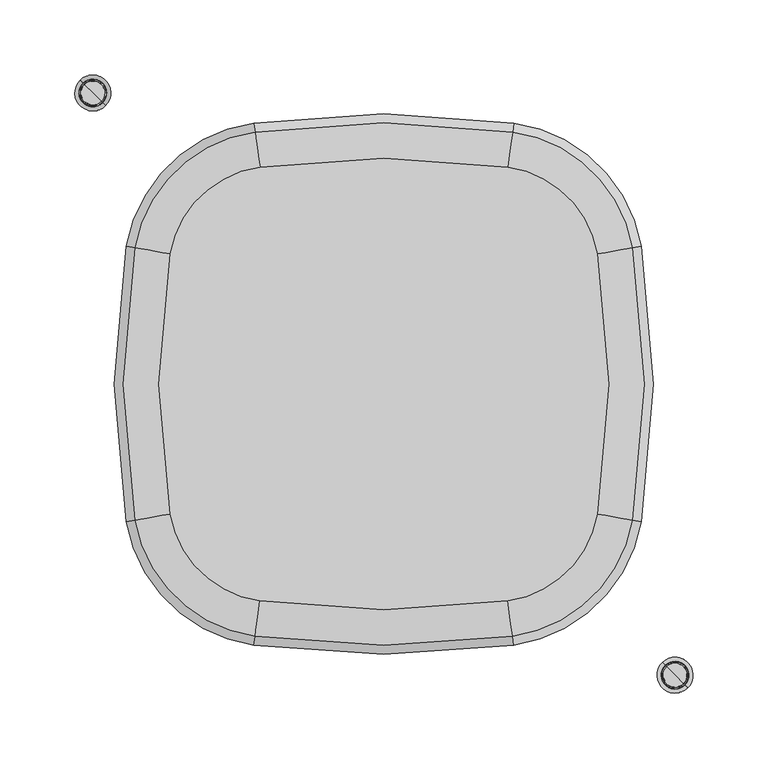
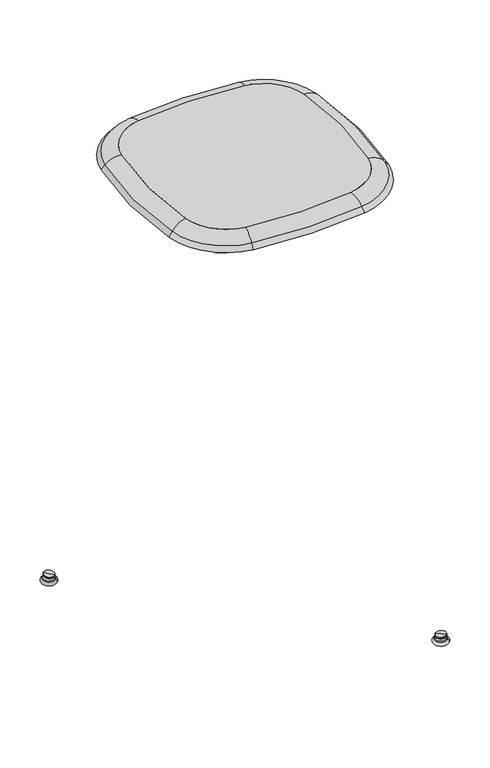
"""IFC4 building model written with IfcOpenShell, lengths in millimetres: furniture geometry."""

from ifc_helpers import new_model, si_unit, point, frame, frame_2d, origin, place, context, project, spatial, polyline, circle_curve, ellipse_curve, trimmed, segment, composite_curve, outline, extrude, source, transform, mapped, element, save
from ifc_brep_helpers import plane_surface, revolved_surface, advanced_brep


def furniture_e689a06a(model_context):
    return source(origin(), model_context, "Body", "SolidModel", [
        extrude(outline(composite_curve([segment(trimmed(circle_curve(frame_2d((353.3430705, -0.0517762)), 503.5652092), [point((-142.6798177, -86.8804256))], [point((-142.6616259, 86.8807324))], False, "CARTESIAN"), True, "CONTINUOUS"), segment(trimmed(circle_curve(frame_2d((-72.7445454, 74.6266807)), 70.9828144), [point((-142.6616259, 86.8807324))], [point((-82.6892055, 144.9094216))], False, "CARTESIAN"), True, "CONTINUOUS"), segment(trimmed(circle_curve(frame_2d((0.015514, -439.5966644)), 590.3282436), [point((-82.6892055, 144.9094216))], [point((82.7202335, 144.9094216))], False, "CARTESIAN"), True, "CONTINUOUS"), segment(trimmed(circle_curve(frame_2d((72.7755734, 74.6266807)), 70.9828144), [point((82.7202335, 144.9094216))], [point((142.6926539, 86.8807324))], False, "CARTESIAN"), True, "CONTINUOUS"), segment(trimmed(circle_curve(frame_2d((-353.3120425, -0.0517762)), 503.5652092), [point((142.6926539, 86.8807324))], [point((142.7108457, -86.8804256))], False, "CARTESIAN"), True, "CONTINUOUS"), segment(trimmed(circle_curve(frame_2d((72.7912008, -74.6410139)), 70.9828144), [point((142.7108457, -86.8804256))], [point((82.7379969, -144.9234525))], False, "CARTESIAN"), True, "CONTINUOUS"), segment(trimmed(circle_curve(frame_2d((0.015514, 439.5801198)), 590.3282436), [point((82.7379969, -144.9234525))], [point((-82.7069689, -144.9234525))], False, "CARTESIAN"), True, "CONTINUOUS"), segment(trimmed(circle_curve(frame_2d((-72.7601728, -74.6410139)), 70.9828144), [point((-82.7069689, -144.9234525))], [point((-142.6798177, -86.8804256))], False, "CARTESIAN"), True, "CONTINUOUS")], self_intersect=False)), frame((0.0, 0.0, 747.1154849), z_axis=(0.0, 0.0, 1.0), x_axis=(1.0, 0.0, 0.0)), (0.0, 0.0, 1.0), 5.8841883),
        advanced_brep(
        [(85.4480497, -164.0722442, 738.8734558), (161.7607924, -90.2151127, 738.8734558), (167.1862386, -91.1648353, 731.5582949), (86.2198758, -169.5258416, 731.5582949), (83.1326925, -147.7123075, 747.1154849), (145.4853047, -87.3660937, 747.1154849), (82.7379969, -144.9234525, 752.9996732), (142.7108457, -86.8804256, 752.9996732), (142.7108457, -86.8804256, 747.1154849), (82.7379969, -144.9234525, 747.1154849), (86.0576622, -168.3796666, 742.093117), (166.0459801, -90.9652334, 742.093117), (86.9083619, -174.3905715, 734.9998), (172.0258571, -92.012009, 734.9998), (-85.4170217, -164.0722442, 738.8734558), (-86.1888478, -169.5258416, 731.5582949), (-83.1016645, -147.7123075, 747.1154849), (-82.7069689, -144.9234525, 752.9996732), (-82.7069689, -144.9234525, 747.1154849), (-86.0266342, -168.3796666, 742.093117), (-86.8773339, -174.3905715, 734.9998), (-161.7297644, -90.2151127, 738.8734558), (-167.1552106, -91.1648353, 731.5582949), (-145.4542767, -87.3660937, 747.1154849), (-142.6798177, -86.8804256, 752.9996732), (-142.6798177, -86.8804256, 747.1154849), (-166.0149521, -90.9652334, 742.093117), (-171.9948291, -92.012009, 734.9998), (-161.710874, 90.2194083, 738.8734558), (-167.1361213, 91.1702669, 731.5582949), (-145.4359833, 87.3669815, 747.1154849), (-142.6616259, 86.8807324, 752.9996732), (-142.6616259, 86.8807324, 747.1154849), (-165.9959046, 90.9704263, 742.093117), (-171.9755623, 92.0184539, 734.9998), (-85.3986765, 164.0582956, 738.8734558), (-86.1703368, 169.5119164, 731.5582949), (-83.0838164, 147.6982885, 747.1154849), (-82.6892055, 144.9094216, 752.9996732), (-82.6892055, 144.9094216, 747.1154849), (-86.008158, 168.3657365, 742.093117), (-86.858675, 174.3766673, 734.9998), (85.4297045, 164.0582956, 738.8734558), (86.2013648, 169.5119164, 731.5582949), (83.1148444, 147.6982885, 747.1154849), (82.7202335, 144.9094216, 752.9996732), (82.7202335, 144.9094216, 747.1154849), (86.039186, 168.3657365, 742.093117), (86.889703, 174.3766673, 734.9998), (161.741902, 90.2194083, 738.8734558), (167.1671493, 91.1702669, 731.5582949), (145.4670112, 87.3669815, 747.1154849), (142.6926539, 86.8807324, 752.9996732), (142.6926539, 86.8807324, 747.1154849), (166.0269325, 90.9704263, 742.093117), (172.0065902, 92.0184539, 734.9998)],
        [
            (0, 1, circle_curve(frame((72.7912008, -74.6410139, 738.8734558), z_axis=(0.0, 0.0, 1.0), x_axis=(0.9850221561837481, -0.17242781628008802, 0.0)), 90.3224268)),
            (1, 2),
            (2, 3, circle_curve(frame((72.7912008, -74.6410139, 731.5582949), z_axis=(0.0, 0.0, -1.0), x_axis=(0.9850221561837481, -0.17242781628008802, 0.0)), 95.8303701)),
            (3, 0),
            (4, 5, circle_curve(frame((72.7912008, -74.6410139, 747.1154849), z_axis=(0.0, 0.0, 1.0), x_axis=(0.9850221561837481, -0.17242781628008802, 0.0)), 73.7994607)),
            (5, 1, circle_curve(frame((145.4853047, -87.3660937, 726.4325045), z_axis=(0.17242781628008805, 0.9850221561837481, 0.0), x_axis=(0.9850221561837481, -0.17242781628008805, 0.0)), 20.6829804)),
            (0, 4, circle_curve(frame((83.1326925, -147.7123075, 726.4325045), z_axis=(-0.9901331651155494, -0.14012963761554614, 0.0), x_axis=(0.14012963761554614, -0.9901331651155494, 0.0)), 20.6829804)),
            (6, 7, circle_curve(frame((72.7912008, -74.6410139, 752.9996732), z_axis=(0.0, 0.0, 1.0), x_axis=(0.9850221561837481, -0.17242781628008802, 0.0)), 70.9828144)),
            (7, 8),
            (8, 9, circle_curve(frame((72.7912008, -74.6410139, 747.1154849), z_axis=(0.0, 0.0, -1.0), x_axis=(0.9850221561837481, -0.17242781628008802, 0.0)), 70.9828144)),
            (9, 6),
            (10, 11, circle_curve(frame((72.7912008, -74.6410139, 742.093117), z_axis=(0.0, 0.0, 1.0), x_axis=(0.9850221561837481, -0.17242781628008802, 0.0)), 94.6727733)),
            (11, 7, circle_curve(frame((142.7108457, -86.8804256, 721.8181018), z_axis=(-0.17242781628008805, -0.9850221561837481, 0.0), x_axis=(0.9850221561837481, -0.17242781628008805, 0.0)), 31.1815715)),
            (6, 10, circle_curve(frame((82.7379969, -144.9234525, 721.8181018), z_axis=(0.9901331651155483, 0.14012963761555447, 0.0), x_axis=(0.14012963761555447, -0.9901331651155483, 0.0)), 31.1815715)),
            (12, 13, circle_curve(frame((72.7912008, -74.6410139, 734.9998), z_axis=(0.0, 0.0, 1.0), x_axis=(0.9850221561837481, -0.17242781628008802, 0.0)), 100.7435779)),
            (13, 11),
            (10, 12),
            (2, 13),
            (12, 3),
            (14, 0, circle_curve(frame((0.015514, 439.5801198, 738.8734558), z_axis=(0.0, 0.0, 1.0), x_axis=(0.14012963761551447, -0.9901331651155538, 0.0)), 609.6678561)),
            (3, 15, circle_curve(frame((0.015514, 439.5801198, 731.5582949), z_axis=(0.0, 0.0, -1.0), x_axis=(0.14012963761551447, -0.9901331651155538, 0.0)), 615.1757994)),
            (15, 14),
            (16, 4, circle_curve(frame((0.015514, 439.5801198, 747.1154849), z_axis=(0.0, 0.0, 1.0), x_axis=(0.14012963761551447, -0.9901331651155538, 0.0)), 593.14489)),
            (14, 16, circle_curve(frame((-83.1016645, -147.7123075, 726.4325045), z_axis=(-0.9901331651155546, 0.1401296376155089, 0.0), x_axis=(-0.1401296376155089, -0.9901331651155546, 0.0)), 20.6829804)),
            (17, 6, circle_curve(frame((0.015514, 439.5801198, 752.9996732), z_axis=(0.0, 0.0, 1.0), x_axis=(0.14012963761551447, -0.9901331651155538, 0.0)), 590.3282436)),
            (9, 18, circle_curve(frame((0.015514, 439.5801198, 747.1154849), z_axis=(0.0, 0.0, -1.0), x_axis=(0.14012963761551447, -0.9901331651155538, 0.0)), 590.3282436)),
            (18, 17),
            (19, 10, circle_curve(frame((0.015514, 439.5801198, 742.093117), z_axis=(0.0, 0.0, 1.0), x_axis=(0.14012963761551447, -0.9901331651155538, 0.0)), 614.0182026)),
            (17, 19, circle_curve(frame((-82.7069689, -144.9234525, 721.8181018), z_axis=(0.9901331651155547, -0.14012963761550745, 0.0), x_axis=(-0.14012963761550745, -0.9901331651155547, 0.0)), 31.1815715)),
            (20, 12, circle_curve(frame((0.015514, 439.5801198, 734.9998), z_axis=(0.0, 0.0, 1.0), x_axis=(0.14012963761551447, -0.9901331651155538, 0.0)), 620.0890072)),
            (19, 20),
            (20, 15),
            (21, 14, circle_curve(frame((-72.7601728, -74.6410139, 738.8734558), z_axis=(0.0, 0.0, 1.0), x_axis=(-0.14012963761555394, -0.9901331651155483, 0.0)), 90.3224268)),
            (15, 22, circle_curve(frame((-72.7601728, -74.6410139, 731.5582949), z_axis=(0.0, 0.0, -1.0), x_axis=(-0.14012963761555394, -0.9901331651155483, 0.0)), 95.8303701)),
            (22, 21),
            (23, 16, circle_curve(frame((-72.7601728, -74.6410139, 747.1154849), z_axis=(0.0, 0.0, 1.0), x_axis=(-0.14012963761555394, -0.9901331651155483, 0.0)), 73.7994607)),
            (21, 23, circle_curve(frame((-145.4542767, -87.3660937, 726.4325045), z_axis=(-0.17242781628017315, 0.9850221561837332, 0.0), x_axis=(-0.9850221561837332, -0.17242781628017315, 0.0)), 20.6829804)),
            (24, 17, circle_curve(frame((-72.7601728, -74.6410139, 752.9996732), z_axis=(0.0, 0.0, 1.0), x_axis=(-0.14012963761555394, -0.9901331651155483, 0.0)), 70.9828144)),
            (18, 25, circle_curve(frame((-72.7601728, -74.6410139, 747.1154849), z_axis=(0.0, 0.0, -1.0), x_axis=(-0.14012963761555394, -0.9901331651155483, 0.0)), 70.9828144)),
            (25, 24),
            (26, 19, circle_curve(frame((-72.7601728, -74.6410139, 742.093117), z_axis=(0.0, 0.0, 1.0), x_axis=(-0.14012963761555394, -0.9901331651155483, 0.0)), 94.6727733)),
            (24, 26, circle_curve(frame((-142.6798177, -86.8804256, 721.8181018), z_axis=(0.17242781628018236, -0.9850221561837316, 0.0), x_axis=(-0.9850221561837316, -0.17242781628018236, 0.0)), 31.1815715)),
            (27, 20, circle_curve(frame((-72.7601728, -74.6410139, 734.9998), z_axis=(0.0, 0.0, 1.0), x_axis=(-0.14012963761555394, -0.9901331651155483, 0.0)), 100.7435779)),
            (26, 27),
            (27, 22),
            (28, 21, circle_curve(frame((353.3430705, -0.0517762, 738.8734558), z_axis=(0.0, 0.0, 1.0), x_axis=(-0.9850221561837392, -0.17242781628013887, 0.0)), 522.9048216)),
            (22, 29, circle_curve(frame((353.3430705, -0.0517762, 731.5582949), z_axis=(0.0, 0.0, -1.0), x_axis=(-0.9850221561837392, -0.17242781628013887, 0.0)), 528.412765)),
            (29, 28),
            (30, 23, circle_curve(frame((353.3430705, -0.0517762, 747.1154849), z_axis=(0.0, 0.0, 1.0), x_axis=(-0.9850221561837392, -0.17242781628013887, 0.0)), 506.3818555)),
            (28, 30, circle_curve(frame((-145.4359833, 87.3669815, 726.4325045), z_axis=(0.17263406404997475, 0.9849860303220495, 0.0), x_axis=(-0.9849860303220495, 0.17263406404997475, 0.0)), 20.6829804)),
            (31, 24, circle_curve(frame((353.3430705, -0.0517762, 752.9996732), z_axis=(0.0, 0.0, 1.0), x_axis=(-0.9850221561837392, -0.17242781628013887, 0.0)), 503.5652092)),
            (25, 32, circle_curve(frame((353.3430705, -0.0517762, 747.1154849), z_axis=(0.0, 0.0, -1.0), x_axis=(-0.9850221561837392, -0.17242781628013887, 0.0)), 503.5652092)),
            (32, 31),
            (33, 26, circle_curve(frame((353.3430705, -0.0517762, 742.093117), z_axis=(0.0, 0.0, 1.0), x_axis=(-0.9850221561837392, -0.17242781628013887, 0.0)), 527.2551681)),
            (31, 33, circle_curve(frame((-142.6616259, 86.8807324, 721.8181018), z_axis=(-0.1726340640499735, -0.9849860303220497, 0.0), x_axis=(-0.9849860303220497, 0.1726340640499735, 0.0)), 31.1815715)),
            (34, 27, circle_curve(frame((353.3430705, -0.0517762, 734.9998), z_axis=(0.0, 0.0, 1.0), x_axis=(-0.9850221561837392, -0.17242781628013887, 0.0)), 533.3259727)),
            (33, 34),
            (34, 29),
            (35, 28, circle_curve(frame((-72.7445454, 74.6266807, 738.8734558), z_axis=(0.0, 0.0, 1.0), x_axis=(-0.9849860303220442, 0.1726340640500041, 0.0)), 90.3224268)),
            (29, 36, circle_curve(frame((-72.7445454, 74.6266807, 731.5582949), z_axis=(0.0, 0.0, -1.0), x_axis=(-0.9849860303220442, 0.1726340640500041, 0.0)), 95.8303701)),
            (36, 35),
            (37, 30, circle_curve(frame((-72.7445454, 74.6266807, 747.1154849), z_axis=(0.0, 0.0, 1.0), x_axis=(-0.9849860303220442, 0.1726340640500041, 0.0)), 73.7994607)),
            (35, 37, circle_curve(frame((-83.0838164, 147.6982885, 726.4325045), z_axis=(0.9901374232519374, 0.1400995470228706, 0.0), x_axis=(-0.1400995470228706, 0.9901374232519374, 0.0)), 20.6829804)),
            (38, 31, circle_curve(frame((-72.7445454, 74.6266807, 752.9996732), z_axis=(0.0, 0.0, 1.0), x_axis=(-0.9849860303220442, 0.1726340640500041, 0.0)), 70.9828144)),
            (32, 39, circle_curve(frame((-72.7445454, 74.6266807, 747.1154849), z_axis=(0.0, 0.0, -1.0), x_axis=(-0.9849860303220442, 0.1726340640500041, 0.0)), 70.9828144)),
            (39, 38),
            (40, 33, circle_curve(frame((-72.7445454, 74.6266807, 742.093117), z_axis=(0.0, 0.0, 1.0), x_axis=(-0.9849860303220442, 0.1726340640500041, 0.0)), 94.6727733)),
            (38, 40, circle_curve(frame((-82.6892055, 144.9094216, 721.8181018), z_axis=(-0.9901374232519364, -0.1400995470228787, 0.0), x_axis=(-0.1400995470228787, 0.9901374232519364, 0.0)), 31.1815715)),
            (41, 34, circle_curve(frame((-72.7445454, 74.6266807, 734.9998), z_axis=(0.0, 0.0, 1.0), x_axis=(-0.9849860303220442, 0.1726340640500041, 0.0)), 100.7435779)),
            (40, 41),
            (41, 36),
            (42, 35, circle_curve(frame((0.015514, -439.5966644, 738.8734558), z_axis=(0.0, 0.0, 1.0), x_axis=(-0.14009954702284055, 0.9901374232519418, 0.0)), 609.6678561)),
            (36, 43, circle_curve(frame((0.015514, -439.5966644, 731.5582949), z_axis=(0.0, 0.0, -1.0), x_axis=(-0.14009954702284055, 0.9901374232519418, 0.0)), 615.1757994)),
            (43, 42),
            (44, 37, circle_curve(frame((0.015514, -439.5966644, 747.1154849), z_axis=(0.0, 0.0, 1.0), x_axis=(-0.14009954702284055, 0.9901374232519418, 0.0)), 593.14489)),
            (42, 44, circle_curve(frame((83.1148444, 147.6982885, 726.4325045), z_axis=(0.9901374232519425, -0.14009954702283514, 0.0), x_axis=(0.14009954702283514, 0.9901374232519425, 0.0)), 20.6829804)),
            (45, 38, circle_curve(frame((0.015514, -439.5966644, 752.9996732), z_axis=(0.0, 0.0, 1.0), x_axis=(-0.14009954702284055, 0.9901374232519418, 0.0)), 590.3282436)),
            (39, 46, circle_curve(frame((0.015514, -439.5966644, 747.1154849), z_axis=(0.0, 0.0, -1.0), x_axis=(-0.14009954702284055, 0.9901374232519418, 0.0)), 590.3282436)),
            (46, 45),
            (47, 40, circle_curve(frame((0.015514, -439.5966644, 742.093117), z_axis=(0.0, 0.0, 1.0), x_axis=(-0.14009954702284055, 0.9901374232519418, 0.0)), 614.0182026)),
            (45, 47, circle_curve(frame((82.7202335, 144.9094216, 721.8181018), z_axis=(-0.9901374232519422, 0.14009954702283683, 0.0), x_axis=(0.14009954702283683, 0.9901374232519422, 0.0)), 31.1815715)),
            (48, 41, circle_curve(frame((0.015514, -439.5966644, 734.9998), z_axis=(0.0, 0.0, 1.0), x_axis=(-0.14009954702284055, 0.9901374232519418, 0.0)), 620.0890072)),
            (47, 48),
            (48, 43),
            (49, 42, circle_curve(frame((72.7755734, 74.6266807, 738.8734558), z_axis=(0.0, 0.0, 1.0), x_axis=(0.1400995470227848, 0.9901374232519496, 0.0)), 90.3224268)),
            (43, 50, circle_curve(frame((72.7755734, 74.6266807, 731.5582949), z_axis=(0.0, 0.0, -1.0), x_axis=(0.1400995470227848, 0.9901374232519496, 0.0)), 95.8303701)),
            (50, 49),
            (51, 44, circle_curve(frame((72.7755734, 74.6266807, 747.1154849), z_axis=(0.0, 0.0, 1.0), x_axis=(0.1400995470227848, 0.9901374232519496, 0.0)), 73.7994607)),
            (49, 51, circle_curve(frame((145.4670112, 87.3669815, 726.4325045), z_axis=(0.17263406405000353, -0.9849860303220442, 0.0), x_axis=(0.9849860303220442, 0.17263406405000353, 0.0)), 20.6829804)),
            (52, 45, circle_curve(frame((72.7755734, 74.6266807, 752.9996732), z_axis=(0.0, 0.0, 1.0), x_axis=(0.1400995470227848, 0.9901374232519496, 0.0)), 70.9828144)),
            (46, 53, circle_curve(frame((72.7755734, 74.6266807, 747.1154849), z_axis=(0.0, 0.0, -1.0), x_axis=(0.1400995470227848, 0.9901374232519496, 0.0)), 70.9828144)),
            (53, 52),
            (54, 47, circle_curve(frame((72.7755734, 74.6266807, 742.093117), z_axis=(0.0, 0.0, 1.0), x_axis=(0.1400995470227848, 0.9901374232519496, 0.0)), 94.6727733)),
            (52, 54, circle_curve(frame((142.6926539, 86.8807324, 721.8181018), z_axis=(-0.17263406405001167, 0.9849860303220429, 0.0), x_axis=(0.9849860303220429, 0.17263406405001167, 0.0)), 31.1815715)),
            (55, 48, circle_curve(frame((72.7755734, 74.6266807, 734.9998), z_axis=(0.0, 0.0, 1.0), x_axis=(0.1400995470227848, 0.9901374232519496, 0.0)), 100.7435779)),
            (54, 55),
            (55, 50),
            (1, 49, circle_curve(frame((-353.3120425, -0.0517762, 738.8734558), z_axis=(0.0, 0.0, 1.0), x_axis=(0.9849860303220497, 0.17263406404997295, 0.0)), 522.9048216)),
            (50, 2, circle_curve(frame((-353.3120425, -0.0517762, 731.5582949), z_axis=(0.0, 0.0, -1.0), x_axis=(0.9849860303220497, 0.17263406404997295, 0.0)), 528.412765)),
            (5, 51, circle_curve(frame((-353.3120425, -0.0517762, 747.1154849), z_axis=(0.0, 0.0, 1.0), x_axis=(0.9849860303220497, 0.17263406404997295, 0.0)), 506.3818555)),
            (8, 53, circle_curve(frame((-353.3120425, -0.0517762, 747.1154849), z_axis=(0.0, 0.0, 1.0), x_axis=(0.9849860303220497, 0.17263406404997295, 0.0)), 503.5652092)),
            (7, 52, circle_curve(frame((-353.3120425, -0.0517762, 752.9996732), z_axis=(0.0, 0.0, 1.0), x_axis=(0.9849860303220497, 0.17263406404997295, 0.0)), 503.5652092)),
            (11, 54, circle_curve(frame((-353.3120425, -0.0517762, 742.093117), z_axis=(0.0, 0.0, 1.0), x_axis=(0.9849860303220497, 0.17263406404997295, 0.0)), 527.2551681)),
            (13, 55, circle_curve(frame((-353.3120425, -0.0517762, 734.9998), z_axis=(0.0, 0.0, 1.0), x_axis=(0.9849860303220497, 0.17263406404997295, 0.0)), 533.3259727)),
        ],
        [
            revolved_surface(polyline([(167.1862386, -91.1648353, 731.5582949), (161.7607924, -90.2151127, 738.8734558)]), (72.7912008, -74.6410139, 734.9998), (0.0, 0.0, -1.0)),
            revolved_surface(trimmed(ellipse_curve(frame((145.4853047, -87.3660937, 726.4325045), z_axis=(-0.17242781628008805, -0.9850221561837481, 0.0), x_axis=(0.9850221561837481, -0.17242781628008805, 0.0)), 20.6829804, 20.6829804), [point((161.7607924, -90.2151127, 738.8734558))], [point((145.4853047, -87.3660937, 747.1154849))], True, "CARTESIAN"), (72.7912008, -74.6410139, 734.9998), (0.0, 0.0, -1.0)),
            revolved_surface(polyline([(142.71084569227878, -86.8804255804068, 747.1154849), (142.71084569227878, -86.8804255804068, 752.9996732)]), (72.7912008, -74.6410139, 734.9998), (0.0, 0.0, -1.0)),
            revolved_surface(trimmed(ellipse_curve(frame((142.7108457, -86.8804256, 721.8181018), z_axis=(0.17242781628008805, 0.9850221561837481, 0.0), x_axis=(0.9850221561837481, -0.17242781628008805, 0.0)), 31.1815715, 31.1815715), [point((142.7108457, -86.8804256, 752.9996732))], [point((166.0459801, -90.9652334, 742.093117))], True, "CARTESIAN"), (72.7912008, -74.6410139, 734.9998), (0.0, 0.0, -1.0)),
            revolved_surface(polyline([(166.0459801, -90.9652334, 742.093117), (172.0258571, -92.012009, 734.9998)]), (72.7912008, -74.6410139, 734.9998), (0.0, 0.0, -1.0)),
            revolved_surface(polyline([(172.0258571, -92.012009, 734.9998), (167.1862386, -91.1648353, 731.5582949)]), (72.7912008, -74.6410139, 734.9998), (0.0, 0.0, -1.0)),
            revolved_surface(polyline([(86.2198758, -169.5258416, 731.5582949), (85.4480497, -164.0722442, 738.8734558)]), (0.015514, 439.5801198, 734.9998), (0.0, 0.0, -1.0)),
            revolved_surface(trimmed(ellipse_curve(frame((83.1326925, -147.7123075, 726.4325045), z_axis=(-0.9901331651155538, -0.14012963761551447, 0.0), x_axis=(0.14012963761551447, -0.9901331651155538, 0.0)), 20.6829804, 20.6829804), [point((85.4480497, -164.0722442, 738.8734558))], [point((83.1326925, -147.7123075, 747.1154849))], True, "CARTESIAN"), (0.015514, 439.5801198, 734.9998), (0.0, 0.0, -1.0)),
            revolved_surface(polyline([(82.73799684987114, -144.9234524927736, 747.1154849), (82.73799684987114, -144.9234524927736, 752.9996732)]), (0.015514, 439.5801198, 734.9998), (0.0, 0.0, -1.0)),
            revolved_surface(trimmed(ellipse_curve(frame((82.7379969, -144.9234525, 721.8181018), z_axis=(0.9901331651155538, 0.14012963761551447, 0.0), x_axis=(0.14012963761551447, -0.9901331651155538, 0.0)), 31.1815715, 31.1815715), [point((82.7379969, -144.9234525, 752.9996732))], [point((86.0576622, -168.3796666, 742.093117))], True, "CARTESIAN"), (0.015514, 439.5801198, 734.9998), (0.0, 0.0, -1.0)),
            revolved_surface(polyline([(86.0576622, -168.3796666, 742.093117), (86.9083619, -174.3905715, 734.9998)]), (0.015514, 439.5801198, 734.9998), (0.0, 0.0, -1.0)),
            revolved_surface(polyline([(86.9083619, -174.3905715, 734.9998), (86.2198758, -169.5258416, 731.5582949)]), (0.015514, 439.5801198, 734.9998), (0.0, 0.0, -1.0)),
            revolved_surface(polyline([(-86.1888478, -169.5258416, 731.5582949), (-85.4170217, -164.0722442, 738.8734558)]), (-72.7601728, -74.6410139, 734.9998), (0.0, 0.0, -1.0)),
            revolved_surface(trimmed(ellipse_curve(frame((-83.1016645, -147.7123075, 726.4325045), z_axis=(-0.9901331651155483, 0.140129637615554, 0.0), x_axis=(-0.140129637615554, -0.9901331651155483, 0.0)), 20.6829804, 20.6829804), [point((-85.4170217, -164.0722442, 738.8734558))], [point((-83.1016645, -147.7123075, 747.1154849))], True, "CARTESIAN"), (-72.7601728, -74.6410139, 734.9998), (0.0, 0.0, -1.0)),
            revolved_surface(polyline([(-82.70696885880413, -144.9234525906815, 747.1154849), (-82.70696885880413, -144.9234525906815, 752.9996732)]), (-72.7601728, -74.6410139, 734.9998), (0.0, 0.0, -1.0)),
            revolved_surface(trimmed(ellipse_curve(frame((-82.7069689, -144.9234525, 721.8181018), z_axis=(0.9901331651155483, -0.140129637615554, 0.0), x_axis=(-0.140129637615554, -0.9901331651155483, 0.0)), 31.1815715, 31.1815715), [point((-82.7069689, -144.9234525, 752.9996732))], [point((-86.0266342, -168.3796666, 742.093117))], True, "CARTESIAN"), (-72.7601728, -74.6410139, 734.9998), (0.0, 0.0, -1.0)),
            revolved_surface(polyline([(-86.0266342, -168.3796666, 742.093117), (-86.8773339, -174.3905715, 734.9998)]), (-72.7601728, -74.6410139, 734.9998), (0.0, 0.0, -1.0)),
            revolved_surface(polyline([(-86.8773339, -174.3905715, 734.9998), (-86.1888478, -169.5258416, 731.5582949)]), (-72.7601728, -74.6410139, 734.9998), (0.0, 0.0, -1.0)),
            revolved_surface(polyline([(-167.1552106, -91.1648353, 731.5582949), (-161.7297644, -90.2151127, 738.8734558)]), (353.3430705, -0.0517762, 734.9998), (0.0, 0.0, -1.0)),
            revolved_surface(trimmed(ellipse_curve(frame((-145.4542767, -87.3660937, 726.4325045), z_axis=(-0.17242781628013873, 0.9850221561837392, 0.0), x_axis=(-0.9850221561837392, -0.17242781628013873, 0.0)), 20.6829804, 20.6829804), [point((-161.7297644, -90.2151127, 738.8734558))], [point((-145.4542767, -87.3660937, 747.1154849))], True, "CARTESIAN"), (353.3430705, -0.0517762, 734.9998), (0.0, 0.0, -1.0)),
            revolved_surface(polyline([(-142.67981764529975, -86.8804255770073, 747.1154849), (-142.67981764529975, -86.8804255770073, 752.9996732)]), (353.3430705, -0.0517762, 734.9998), (0.0, 0.0, -1.0)),
            revolved_surface(trimmed(ellipse_curve(frame((-142.6798177, -86.8804256, 721.8181018), z_axis=(0.17242781628013873, -0.9850221561837392, 0.0), x_axis=(-0.9850221561837392, -0.17242781628013873, 0.0)), 31.1815715, 31.1815715), [point((-142.6798177, -86.8804256, 752.9996732))], [point((-166.0149521, -90.9652334, 742.093117))], True, "CARTESIAN"), (353.3430705, -0.0517762, 734.9998), (0.0, 0.0, -1.0)),
            revolved_surface(polyline([(-166.0149521, -90.9652334, 742.093117), (-171.9948291, -92.012009, 734.9998)]), (353.3430705, -0.0517762, 734.9998), (0.0, 0.0, -1.0)),
            revolved_surface(polyline([(-171.9948291, -92.012009, 734.9998), (-167.1552106, -91.1648353, 731.5582949)]), (353.3430705, -0.0517762, 734.9998), (0.0, 0.0, -1.0)),
            revolved_surface(polyline([(-167.1361213, 91.1702669, 731.5582949), (-161.710874, 90.2194083, 738.8734558)]), (-72.7445454, 74.6266807, 734.9998), (0.0, 0.0, -1.0)),
            revolved_surface(trimmed(ellipse_curve(frame((-145.4359833, 87.3669815, 726.4325045), z_axis=(0.1726340640500042, 0.9849860303220442, 0.0), x_axis=(-0.9849860303220442, 0.1726340640500042, 0.0)), 20.6829804, 20.6829804), [point((-161.710874, 90.2194083, 738.8734558))], [point((-145.4359833, 87.3669815, 747.1154849))], True, "CARTESIAN"), (-72.7445454, 74.6266807, 734.9998), (0.0, 0.0, -1.0)),
            revolved_surface(polyline([(-142.66162597694245, 86.88073242757915, 747.1154849), (-142.66162597694245, 86.88073242757915, 752.9996732)]), (-72.7445454, 74.6266807, 734.9998), (0.0, 0.0, -1.0)),
            revolved_surface(trimmed(ellipse_curve(frame((-142.6616259, 86.8807324, 721.8181018), z_axis=(-0.1726340640500042, -0.9849860303220442, 0.0), x_axis=(-0.9849860303220442, 0.1726340640500042, 0.0)), 31.1815715, 31.1815715), [point((-142.6616259, 86.8807324, 752.9996732))], [point((-165.9959046, 90.9704263, 742.093117))], True, "CARTESIAN"), (-72.7445454, 74.6266807, 734.9998), (0.0, 0.0, -1.0)),
            revolved_surface(polyline([(-165.9959046, 90.9704263, 742.093117), (-171.9755623, 92.0184539, 734.9998)]), (-72.7445454, 74.6266807, 734.9998), (0.0, 0.0, -1.0)),
            revolved_surface(polyline([(-171.9755623, 92.0184539, 734.9998), (-167.1361213, 91.1702669, 731.5582949)]), (-72.7445454, 74.6266807, 734.9998), (0.0, 0.0, -1.0)),
            revolved_surface(polyline([(-86.1703368, 169.5119164, 731.5582949), (-85.3986765, 164.0582956, 738.8734558)]), (0.015514, -439.5966644, 734.9998), (0.0, 0.0, -1.0)),
            revolved_surface(trimmed(ellipse_curve(frame((-83.0838164, 147.6982885, 726.4325045), z_axis=(0.9901374232519418, 0.14009954702284047, 0.0), x_axis=(-0.14009954702284047, 0.9901374232519418, 0.0)), 20.6829804, 20.6829804), [point((-85.3986765, 164.0582956, 738.8734558))], [point((-83.0838164, 147.6982885, 747.1154849))], True, "CARTESIAN"), (0.015514, -439.5966644, 734.9998), (0.0, 0.0, -1.0)),
            revolved_surface(polyline([(-82.68920552314907, 144.90942159094857, 747.1154849), (-82.68920552314907, 144.90942159094857, 752.9996732)]), (0.015514, -439.5966644, 734.9998), (0.0, 0.0, -1.0)),
            revolved_surface(trimmed(ellipse_curve(frame((-82.6892055, 144.9094216, 721.8181018), z_axis=(-0.9901374232519418, -0.14009954702284047, 0.0), x_axis=(-0.14009954702284047, 0.9901374232519418, 0.0)), 31.1815715, 31.1815715), [point((-82.6892055, 144.9094216, 752.9996732))], [point((-86.008158, 168.3657365, 742.093117))], True, "CARTESIAN"), (0.015514, -439.5966644, 734.9998), (0.0, 0.0, -1.0)),
            revolved_surface(polyline([(-86.008158, 168.3657365, 742.093117), (-86.858675, 174.3766673, 734.9998)]), (0.015514, -439.5966644, 734.9998), (0.0, 0.0, -1.0)),
            revolved_surface(polyline([(-86.858675, 174.3766673, 734.9998), (-86.1703368, 169.5119164, 731.5582949)]), (0.015514, -439.5966644, 734.9998), (0.0, 0.0, -1.0)),
            revolved_surface(polyline([(86.2013648, 169.5119164, 731.5582949), (85.4297045, 164.0582956, 738.8734558)]), (72.7755734, 74.6266807, 734.9998), (0.0, 0.0, -1.0)),
            revolved_surface(trimmed(ellipse_curve(frame((83.1148444, 147.6982885, 726.4325045), z_axis=(0.9901374232519496, -0.14009954702278485, 0.0), x_axis=(0.14009954702278485, 0.9901374232519496, 0.0)), 20.6829804, 20.6829804), [point((85.4297045, 164.0582956, 738.8734558))], [point((83.1148444, 147.6982885, 747.1154849))], True, "CARTESIAN"), (72.7755734, 74.6266807, 734.9998), (0.0, 0.0, -1.0)),
            revolved_surface(polyline([(82.7202335438424, 144.90942164518736, 747.1154849), (82.7202335438424, 144.90942164518736, 752.9996732)]), (72.7755734, 74.6266807, 734.9998), (0.0, 0.0, -1.0)),
            revolved_surface(trimmed(ellipse_curve(frame((82.7202335, 144.9094216, 721.8181018), z_axis=(-0.9901374232519496, 0.14009954702278485, 0.0), x_axis=(0.14009954702278485, 0.9901374232519496, 0.0)), 31.1815715, 31.1815715), [point((82.7202335, 144.9094216, 752.9996732))], [point((86.039186, 168.3657365, 742.093117))], True, "CARTESIAN"), (72.7755734, 74.6266807, 734.9998), (0.0, 0.0, -1.0)),
            revolved_surface(polyline([(86.039186, 168.3657365, 742.093117), (86.889703, 174.3766673, 734.9998)]), (72.7755734, 74.6266807, 734.9998), (0.0, 0.0, -1.0)),
            revolved_surface(polyline([(86.889703, 174.3766673, 734.9998), (86.2013648, 169.5119164, 731.5582949)]), (72.7755734, 74.6266807, 734.9998), (0.0, 0.0, -1.0)),
            revolved_surface(polyline([(167.1671493, 91.1702669, 731.5582949), (161.741902, 90.2194083, 738.8734558)]), (-353.3120425, -0.0517762, 734.9998), (0.0, 0.0, -1.0)),
            revolved_surface(trimmed(ellipse_curve(frame((145.4670112, 87.3669815, 726.4325045), z_axis=(0.17263406404997292, -0.9849860303220497, 0.0), x_axis=(0.9849860303220497, 0.17263406404997292, 0.0)), 20.6829804, 20.6829804), [point((161.741902, 90.2194083, 738.8734558))], [point((145.4670112, 87.3669815, 747.1154849))], True, "CARTESIAN"), (-353.3120425, -0.0517762, 734.9998), (0.0, 0.0, -1.0)),
            plane_surface(frame((-353.3120425, -0.0517762, 747.1154849), z_axis=(0.0, 0.0, -1.0), x_axis=(0.9849860303220498, 0.17263406404997297, 0.0))),
            revolved_surface(polyline([(142.6926539182005, 86.88073237837082, 747.1154849), (142.6926539182005, 86.88073237837082, 752.9996732)]), (-353.3120425, -0.0517762, 734.9998), (0.0, 0.0, -1.0)),
            revolved_surface(trimmed(ellipse_curve(frame((142.6926539, 86.8807324, 721.8181018), z_axis=(-0.17263406404997292, 0.9849860303220497, 0.0), x_axis=(0.9849860303220497, 0.17263406404997292, 0.0)), 31.1815715, 31.1815715), [point((142.6926539, 86.8807324, 752.9996732))], [point((166.0269325, 90.9704263, 742.093117))], True, "CARTESIAN"), (-353.3120425, -0.0517762, 734.9998), (0.0, 0.0, -1.0)),
            revolved_surface(polyline([(166.0269325, 90.9704263, 742.093117), (172.0065902, 92.0184539, 734.9998)]), (-353.3120425, -0.0517762, 734.9998), (0.0, 0.0, -1.0)),
            revolved_surface(polyline([(172.0065902, 92.0184539, 734.9998), (167.1671493, 91.1702669, 731.5582949)]), (-353.3120425, -0.0517762, 734.9998), (0.0, 0.0, -1.0)),
        ],
        [
            (0, [[1, 2, 3, 4]]),
            (1, [[5, 6, -1, 7]]),
            (2, [[8, 9, 10, 11]]),
            (3, [[12, 13, -8, 14]]),
            (4, [[15, 16, -12, 17]]),
            (5, [[-3, 18, -15, 19]]),
            (6, [[20, -4, 21, 22]]),
            (7, [[23, -7, -20, 24]]),
            (8, [[25, -11, 26, 27]]),
            (9, [[28, -14, -25, 29]]),
            (10, [[30, -17, -28, 31]]),
            (11, [[-21, -19, -30, 32]]),
            (12, [[33, -22, 34, 35]]),
            (13, [[36, -24, -33, 37]]),
            (14, [[38, -27, 39, 40]]),
            (15, [[41, -29, -38, 42]]),
            (16, [[43, -31, -41, 44]]),
            (17, [[-34, -32, -43, 45]]),
            (18, [[46, -35, 47, 48]]),
            (19, [[49, -37, -46, 50]]),
            (20, [[51, -40, 52, 53]]),
            (21, [[54, -42, -51, 55]]),
            (22, [[56, -44, -54, 57]]),
            (23, [[-47, -45, -56, 58]]),
            (24, [[59, -48, 60, 61]]),
            (25, [[62, -50, -59, 63]]),
            (26, [[64, -53, 65, 66]]),
            (27, [[67, -55, -64, 68]]),
            (28, [[69, -57, -67, 70]]),
            (29, [[-60, -58, -69, 71]]),
            (30, [[72, -61, 73, 74]]),
            (31, [[75, -63, -72, 76]]),
            (32, [[77, -66, 78, 79]]),
            (33, [[80, -68, -77, 81]]),
            (34, [[82, -70, -80, 83]]),
            (35, [[-73, -71, -82, 84]]),
            (36, [[85, -74, 86, 87]]),
            (37, [[88, -76, -85, 89]]),
            (38, [[90, -79, 91, 92]]),
            (39, [[93, -81, -90, 94]]),
            (40, [[95, -83, -93, 96]]),
            (41, [[-86, -84, -95, 97]]),
            (42, [[98, -87, 99, -2]]),
            (43, [[100, -89, -98, -6]]),
            (44, [[-75, -88, -100, -5, -23, -36, -49, -62], [101, -91, -78, -65, -52, -39, -26, -10]]),
            (45, [[102, -92, -101, -9]]),
            (46, [[103, -94, -102, -13]]),
            (47, [[104, -96, -103, -16]]),
            (48, [[-99, -97, -104, -18]]),
        ],
    ),
        advanced_brep(
        [(-188.0691808, 188.2160853, 6.9846371), (-200.7982862, 200.9451907, 6.9846371), (-200.9841101, 201.1310146, 5.4942542), (-187.8833568, 188.0302614, 5.4942542), (-200.9841101, 201.1310146, -0.0154222), (-187.8833568, 188.0302614, -0.0154222), (-194.4337335, 194.580638, -0.0154222), (-194.4337335, 194.580638, 6.9846371)],
        [
            (0, 1, circle_curve(frame((-194.4337335, 194.580638, 6.9846371), z_axis=(0.0, 0.0, -1.0), x_axis=(-0.7071067811865506, 0.7071067811865445, 0.0)), 9.0008368)),
            (1, 2, circle_curve(frame((-204.7425559, 204.8894604, 7.1998356), z_axis=(0.7071067811865445, 0.7071067811865506, 0.0), x_axis=(-0.7071067811865506, 0.7071067811865445, 0.0)), 5.5821893)),
            (2, 3, circle_curve(frame((-194.4337335, 194.580638, 5.4942542), z_axis=(0.0, 0.0, 1.0), x_axis=(-0.7071067811865506, 0.7071067811865445, 0.0)), 9.2636315)),
            (3, 0, circle_curve(frame((-184.1249111, 184.2718156, 7.1998356), z_axis=(0.7071067811865468, 0.7071067811865482, 0.0), x_axis=(0.7071067811865482, -0.7071067811865468, 0.0)), 5.5821893)),
            (1, 0, circle_curve(frame((-194.4337335, 194.580638, 6.9846371), z_axis=(0.0, 0.0, -1.0), x_axis=(-0.7071067811865506, 0.7071067811865445, 0.0)), 9.0008368)),
            (3, 2, circle_curve(frame((-194.4337335, 194.580638, 5.4942542), z_axis=(0.0, 0.0, 1.0), x_axis=(-0.7071067811865506, 0.7071067811865445, 0.0)), 9.2636315)),
            (2, 4, circle_curve(frame((-200.9841101, 201.1310146, 2.739416), z_axis=(-0.7071067811865445, -0.7071067811865506, 0.0), x_axis=(-0.7071067811865506, 0.7071067811865445, 0.0)), 2.7548382)),
            (4, 5, circle_curve(frame((-194.4337335, 194.580638, -0.0154222), z_axis=(0.0, 0.0, 1.0), x_axis=(-0.7071067811865506, 0.7071067811865445, 0.0)), 9.2636315)),
            (5, 3, circle_curve(frame((-187.8833568, 188.0302614, 2.739416), z_axis=(-0.7071067811865468, -0.7071067811865482, 0.0), x_axis=(0.7071067811865482, -0.7071067811865468, 0.0)), 2.7548382)),
            (5, 4, circle_curve(frame((-194.4337335, 194.580638, -0.0154222), z_axis=(0.0, 0.0, 1.0), x_axis=(-0.7071067811865506, 0.7071067811865445, 0.0)), 9.2636315)),
            (4, 6),
            (6, 5),
            (7, 1),
            (0, 7),
        ],
        [
            revolved_surface(trimmed(ellipse_curve(frame((-204.7425559, 204.8894604, 7.1998356), z_axis=(-0.7071067811865445, -0.7071067811865506, 0.0), x_axis=(-0.7071067811865506, 0.7071067811865445, 0.0)), 5.5821893, 5.5821893), [point((-200.9841101, 201.1310146, 5.4942542))], [point((-200.7982862, 200.9451907, 6.9846371))], True, "CARTESIAN"), (-194.4337335, 194.580638, 6.9846371), (0.0, 0.0, 1.0)),
            revolved_surface(trimmed(ellipse_curve(frame((-200.9841101, 201.1310146, 2.739416), z_axis=(0.7071067811865445, 0.7071067811865506, 0.0), x_axis=(-0.7071067811865506, 0.7071067811865445, 0.0)), 2.7548382, 2.7548382), [point((-200.9841101, 201.1310146, -0.0154222))], [point((-200.9841101, 201.1310146, 5.4942542))], True, "CARTESIAN"), (-194.4337335, 194.580638, 6.9846371), (0.0, 0.0, 1.0)),
            plane_surface(frame((-194.4337335, 194.580638, -0.0154222), z_axis=(0.0, 0.0, -1.0), x_axis=(-0.7071067811865506, 0.7071067811865445, 0.0))),
            plane_surface(frame((-194.4337335, 194.580638, 6.9846371), z_axis=(0.0, 0.0, 1.0), x_axis=(-0.7071067811865506, 0.7071067811865445, 0.0))),
        ],
        [
            (0, [[1, 2, 3, 4]]),
            (0, [[5, -4, 6, -2]]),
            (1, [[-3, 7, 8, 9]]),
            (1, [[-6, -9, 10, -7]]),
            (2, [[-8, 11, 12]]),
            (2, [[-10, -12, -11]]),
            (3, [[13, -1, 14]]),
            (3, [[-14, -5, -13]]),
        ],
    ),
        advanced_brep(
        [(-194.4312996, 194.5782042, 12.9843112), (-200.0666597, 200.2135642, 13.6815611), (-188.7959396, 188.9428442, 12.2870613), (-200.104312, 200.2512165, 12.4314459), (-188.9123582, 189.0592628, 11.0466917), (-200.2206566, 200.3675611, 11.1910692), (-188.9500843, 189.0969888, 9.7965877), (-199.3760514, 199.522956, 11.0865682), (-189.7946894, 189.941594, 9.9010887), (-194.8605269, 195.0074314, 6.0460521)],
        [
            (0, 1),
            (1, 2, circle_curve(frame((-194.4312996, 194.5782042, 12.9843112), z_axis=(0.06162841671622309, -0.061628416716222836, 0.9961946980917451), x_axis=(-0.7044160264027615, 0.7044160264027554, 0.08715574274766327)), 8.0000452)),
            (2, 0),
            (2, 1, circle_curve(frame((-194.4312996, 194.5782042, 12.9843112), z_axis=(0.06162841671622309, -0.061628416716222836, 0.9961946980917451), x_axis=(-0.7044160264027615, 0.7044160264027554, 0.08715574274766327)), 8.0000452)),
            (1, 3),
            (3, 4, circle_curve(frame((-194.5083351, 194.6552396, 11.7390688), z_axis=(0.06162841671622309, -0.061628416716222836, 0.9961946980917451), x_axis=(-0.7044160264027615, 0.7044160264027554, 0.08715574274766327)), 7.9441362)),
            (4, 2),
            (4, 3, circle_curve(frame((-194.5083351, 194.6552396, 11.7390688), z_axis=(0.06162841671622309, -0.061628416716222836, 0.9961946980917451), x_axis=(-0.7044160264027615, 0.7044160264027554, 0.08715574274766327)), 7.9441362)),
            (3, 5),
            (5, 6, circle_curve(frame((-194.5853704, 194.732275, 10.4938285), z_axis=(0.06162841671622309, -0.061628416716222836, 0.9961946980917451), x_axis=(-0.7044160264027615, 0.7044160264027554, 0.08715574274766327)), 7.9999403)),
            (6, 4),
            (6, 5, circle_curve(frame((-194.5853704, 194.732275, 10.4938285), z_axis=(0.06162841671622309, -0.061628416716222836, 0.9961946980917451), x_axis=(-0.7044160264027615, 0.7044160264027554, 0.08715574274766327)), 7.9999403)),
            (5, 7),
            (7, 8, circle_curve(frame((-194.5853704, 194.732275, 10.4938285), z_axis=(0.06162841671622309, -0.061628416716222836, 0.9961946980917451), x_axis=(-0.7044160264027615, 0.7044160264027554, 0.08715574274766327)), 6.8009256)),
            (8, 6),
            (8, 7, circle_curve(frame((-194.5853704, 194.732275, 10.4938285), z_axis=(0.06162841671622309, -0.061628416716222836, 0.9961946980917451), x_axis=(-0.7044160264027615, 0.7044160264027554, 0.08715574274766327)), 6.8009256)),
            (7, 9, circle_curve(frame((-194.3472391, 194.4941436, 13.5311766), z_axis=(-0.7071067811865442, -0.7071067811865508, 0.0), x_axis=(-0.7071067811865508, 0.7071067811865444, 0.0)), 7.5202405)),
            (9, 8, circle_curve(frame((-194.4469347, 194.5938393, 13.5435117), z_axis=(-0.7071067811865466, -0.7071067811865485, 0.0), x_axis=(0.6963642403200181, -0.6963642403200163, -0.17364817766694468)), 7.5202405)),
        ],
        [
            plane_surface(frame((-194.4312996, 194.5782042, 12.9843112), z_axis=(0.061628416716223225, -0.06162841671622269, 0.9961946980917451), x_axis=(-0.7044160264027615, 0.7044160264027554, 0.08715574274766327))),
            revolved_surface(polyline([(-200.104312, 200.2512165, 12.4314459), (-200.0666597, 200.2135642, 13.6815611)]), (-194.4312996, 194.5782042, 12.9843112), (0.06162841671622309, -0.061628416716222836, 0.9961946980917451)),
            revolved_surface(polyline([(-200.2206566, 200.3675611, 11.1910692), (-200.104312, 200.2512165, 12.4314459)]), (-194.4312996, 194.5782042, 12.9843112), (0.06162841671622309, -0.061628416716222836, 0.9961946980917451)),
            plane_surface(frame((-194.5853704, 194.732275, 10.4938285), z_axis=(-0.061628416716223225, 0.06162841671622269, -0.9961946980917451), x_axis=(-0.7044160264027615, 0.7044160264027554, 0.08715574274766327))),
            revolved_surface(trimmed(ellipse_curve(frame((-194.3472391, 194.4941436, 13.5311766), z_axis=(0.7071067811865442, 0.7071067811865508, 0.0), x_axis=(-0.7071067811865508, 0.7071067811865444, 0.0)), 7.5202405, 7.5202405), [point((-194.8605269, 195.0074314, 6.0460521))], [point((-199.3760514, 199.522956, 11.0865682))], True, "CARTESIAN"), (-194.4312996, 194.5782042, 12.9843112), (0.06162841671622309, -0.061628416716222836, 0.9961946980917451)),
        ],
        [
            (0, [[1, 2, 3]]),
            (0, [[-3, 4, -1]]),
            (1, [[-2, 5, 6, 7]]),
            (1, [[-4, -7, 8, -5]]),
            (2, [[-6, 9, 10, 11]]),
            (2, [[-8, -11, 12, -9]]),
            (3, [[-10, 13, 14, 15]]),
            (3, [[-12, -15, 16, -13]]),
            (4, [[-14, 17, 18]]),
            (4, [[-16, -18, -17]]),
        ],
    ),
        advanced_brep(
        [(188.0355729, -187.8886683, 5.4942542), (201.1363261, -200.9894216, 5.4942542), (200.9505022, -200.8035977, 6.9846371), (188.2213968, -188.0744923, 6.9846371), (188.0355729, -187.8886683, -0.0154222), (201.1363261, -200.9894216, -0.0154222), (194.5859495, -194.439045, -0.0154222), (194.5859495, -194.439045, 6.9846371)],
        [
            (0, 1, circle_curve(frame((194.5859495, -194.439045, 5.4942542), z_axis=(0.0, 0.0, 1.0), x_axis=(0.7071067811865459, -0.7071067811865491, 0.0)), 9.2636315)),
            (1, 2, circle_curve(frame((204.8947719, -204.7478674, 7.1998356), z_axis=(0.7071067811865491, 0.7071067811865459, 0.0), x_axis=(0.7071067811865459, -0.7071067811865491, 0.0)), 5.5821893)),
            (2, 3, circle_curve(frame((194.5859495, -194.439045, 6.9846371), z_axis=(0.0, 0.0, -1.0), x_axis=(0.7071067811865459, -0.7071067811865491, 0.0)), 9.0008368)),
            (3, 0, circle_curve(frame((184.2771271, -184.1302226, 7.1998356), z_axis=(0.7071067811865468, 0.7071067811865482, 0.0), x_axis=(-0.7071067811865482, 0.7071067811865468, 0.0)), 5.5821893)),
            (1, 0, circle_curve(frame((194.5859495, -194.439045, 5.4942542), z_axis=(0.0, 0.0, 1.0), x_axis=(0.7071067811865459, -0.7071067811865491, 0.0)), 9.2636315)),
            (3, 2, circle_curve(frame((194.5859495, -194.439045, 6.9846371), z_axis=(0.0, 0.0, -1.0), x_axis=(0.7071067811865459, -0.7071067811865491, 0.0)), 9.0008368)),
            (4, 5, circle_curve(frame((194.5859495, -194.439045, -0.0154222), z_axis=(0.0, 0.0, 1.0), x_axis=(0.7071067811865459, -0.7071067811865491, 0.0)), 9.2636315)),
            (5, 1, circle_curve(frame((201.1363261, -200.9894216, 2.739416), z_axis=(-0.7071067811865491, -0.7071067811865459, 0.0), x_axis=(0.7071067811865459, -0.7071067811865491, 0.0)), 2.7548382)),
            (0, 4, circle_curve(frame((188.0355729, -187.8886683, 2.739416), z_axis=(-0.7071067811865468, -0.7071067811865482, 0.0), x_axis=(-0.7071067811865482, 0.7071067811865468, 0.0)), 2.7548382)),
            (5, 4, circle_curve(frame((194.5859495, -194.439045, -0.0154222), z_axis=(0.0, 0.0, 1.0), x_axis=(0.7071067811865459, -0.7071067811865491, 0.0)), 9.2636315)),
            (6, 5),
            (4, 6),
            (2, 7),
            (7, 3),
        ],
        [
            revolved_surface(trimmed(ellipse_curve(frame((204.8947719, -204.7478674, 7.1998356), z_axis=(-0.7071067811865491, -0.7071067811865459, 0.0), x_axis=(0.7071067811865459, -0.7071067811865491, 0.0)), 5.5821893, 5.5821893), [point((200.9505022, -200.8035977, 6.9846371))], [point((201.1363261, -200.9894216, 5.4942542))], True, "CARTESIAN"), (194.5859495, -194.439045, 6.9846371), (0.0, 0.0, -1.0)),
            revolved_surface(trimmed(ellipse_curve(frame((201.1363261, -200.9894216, 2.739416), z_axis=(0.7071067811865491, 0.7071067811865459, 0.0), x_axis=(0.7071067811865459, -0.7071067811865491, 0.0)), 2.7548382, 2.7548382), [point((201.1363261, -200.9894216, 5.4942542))], [point((201.1363261, -200.9894216, -0.0154222))], True, "CARTESIAN"), (194.5859495, -194.439045, 6.9846371), (0.0, 0.0, -1.0)),
            plane_surface(frame((194.5859495, -194.439045, -0.0154222), z_axis=(0.0, 0.0, -1.0), x_axis=(0.7071067811865459, -0.7071067811865491, 0.0))),
            plane_surface(frame((194.5859495, -194.439045, 6.9846371), z_axis=(0.0, 0.0, 1.0), x_axis=(0.7071067811865459, -0.7071067811865491, 0.0))),
        ],
        [
            (0, [[1, 2, 3, 4]]),
            (0, [[5, -4, 6, -2]]),
            (1, [[7, 8, -1, 9]]),
            (1, [[10, -9, -5, -8]]),
            (2, [[11, -7, 12]]),
            (2, [[-12, -10, -11]]),
            (3, [[-3, 13, 14]]),
            (3, [[-6, -14, -13]]),
        ],
    ),
        advanced_brep(
        [(188.9481556, -188.8012511, 12.2870613), (200.2188757, -200.0719712, 13.6815611), (194.5835157, -194.4366111, 12.9843112), (189.0645743, -188.9176697, 11.0466917), (200.256528, -200.1096234, 12.4314459), (189.1023003, -188.9553958, 9.7965877), (200.3728726, -200.2259681, 11.1910692), (189.9469055, -189.8000009, 9.9010887), (199.5282675, -199.3813629, 11.0865682), (195.0127429, -194.8658384, 6.0460521)],
        [
            (0, 1, circle_curve(frame((194.5835157, -194.4366111, 12.9843112), z_axis=(-0.06162841671622601, 0.06162841671622601, 0.9961946980917448), x_axis=(0.7044160264027566, -0.7044160264027597, 0.08715574274766758)), 8.0000452)),
            (1, 2),
            (2, 0),
            (1, 0, circle_curve(frame((194.5835157, -194.4366111, 12.9843112), z_axis=(-0.06162841671622601, 0.06162841671622601, 0.9961946980917448), x_axis=(0.7044160264027566, -0.7044160264027597, 0.08715574274766758)), 8.0000452)),
            (3, 4, circle_curve(frame((194.6605511, -194.5136466, 11.7390688), z_axis=(-0.06162841671622601, 0.06162841671622601, 0.9961946980917448), x_axis=(0.7044160264027566, -0.7044160264027597, 0.08715574274766758)), 7.9441362)),
            (4, 1),
            (0, 3),
            (4, 3, circle_curve(frame((194.6605511, -194.5136466, 11.7390688), z_axis=(-0.06162841671622601, 0.06162841671622601, 0.9961946980917448), x_axis=(0.7044160264027566, -0.7044160264027597, 0.08715574274766758)), 7.9441362)),
            (5, 6, circle_curve(frame((194.7375865, -194.5906819, 10.4938285), z_axis=(-0.06162841671622601, 0.06162841671622601, 0.9961946980917448), x_axis=(0.7044160264027566, -0.7044160264027597, 0.08715574274766758)), 7.9999403)),
            (6, 4),
            (3, 5),
            (6, 5, circle_curve(frame((194.7375865, -194.5906819, 10.4938285), z_axis=(-0.06162841671622601, 0.06162841671622601, 0.9961946980917448), x_axis=(0.7044160264027566, -0.7044160264027597, 0.08715574274766758)), 7.9999403)),
            (7, 8, circle_curve(frame((194.7375865, -194.5906819, 10.4938285), z_axis=(-0.06162841671622601, 0.06162841671622601, 0.9961946980917448), x_axis=(0.7044160264027566, -0.7044160264027597, 0.08715574274766758)), 6.8009256)),
            (8, 6),
            (5, 7),
            (8, 7, circle_curve(frame((194.7375865, -194.5906819, 10.4938285), z_axis=(-0.06162841671622601, 0.06162841671622601, 0.9961946980917448), x_axis=(0.7044160264027566, -0.7044160264027597, 0.08715574274766758)), 6.8009256)),
            (9, 8, circle_curve(frame((194.4994551, -194.3525506, 13.5311766), z_axis=(-0.707106781186549, -0.707106781186546, 0.0), x_axis=(0.7071067811865461, -0.707106781186549, 0.0)), 7.5202405)),
            (7, 9, circle_curve(frame((194.5991507, -194.4522462, 13.5435117), z_axis=(-0.7071067811865467, -0.7071067811865483, 0.0), x_axis=(-0.6963642403200175, 0.6963642403200158, -0.17364817766694896)), 7.5202405)),
        ],
        [
            plane_surface(frame((194.5835157, -194.4366111, 12.9843112), z_axis=(-0.06162841671622586, 0.06162841671622614, 0.9961946980917448), x_axis=(0.7044160264027566, -0.7044160264027597, 0.08715574274766758))),
            revolved_surface(polyline([(200.2188757, -200.0719712, 13.6815611), (200.256528, -200.1096234, 12.4314459)]), (194.5835157, -194.4366111, 12.9843112), (0.06162841671622601, -0.06162841671622601, -0.9961946980917448)),
            revolved_surface(polyline([(200.256528, -200.1096234, 12.4314459), (200.3728726, -200.2259681, 11.1910692)]), (194.5835157, -194.4366111, 12.9843112), (0.06162841671622601, -0.06162841671622601, -0.9961946980917448)),
            plane_surface(frame((194.7375865, -194.5906819, 10.4938285), z_axis=(0.06162841671622586, -0.06162841671622614, -0.9961946980917448), x_axis=(0.7044160264027566, -0.7044160264027597, 0.08715574274766758))),
            revolved_surface(trimmed(ellipse_curve(frame((194.4994551, -194.3525506, 13.5311766), z_axis=(0.707106781186549, 0.707106781186546, 0.0), x_axis=(0.7071067811865461, -0.707106781186549, 0.0)), 7.5202405, 7.5202405), [point((199.5282675, -199.3813629, 11.0865682))], [point((195.0127429, -194.8658384, 6.0460521))], True, "CARTESIAN"), (194.5835157, -194.4366111, 12.9843112), (0.06162841671622601, -0.06162841671622601, -0.9961946980917448)),
        ],
        [
            (0, [[1, 2, 3]]),
            (0, [[4, -3, -2]]),
            (1, [[5, 6, -1, 7]]),
            (1, [[8, -7, -4, -6]]),
            (2, [[9, 10, -5, 11]]),
            (2, [[12, -11, -8, -10]]),
            (3, [[13, 14, -9, 15]]),
            (3, [[16, -15, -12, -14]]),
            (4, [[17, -13, 18]]),
            (4, [[-18, -16, -17]]),
        ],
    ),
    ])


if __name__ == "__main__":
    model = new_model("IFC4")
    model_context = context("Model", 3, world=origin())
    ifc_project = project(units=[si_unit("LENGTHUNIT", "METRE", prefix="MILLI")], contexts=[model_context])
    site = spatial("IfcSite", under=ifc_project)
    building = spatial("IfcBuilding", under=site)
    placement = place(None, origin())
    furniture_shape = furniture_e689a06a(model_context)
    element("IfcFurniture", 1, at=placement, inside=building, context=model_context, shape_type="MappedRepresentation", body=[
        mapped(furniture_shape, transform((0.0, 0.0, 0.0), x_axis=(1.0, 0.0, 0.0), y_axis=(0.0, 1.0, 0.0), z_axis=(0.0, 0.0, 1.0))),
    ])
    save(model, "model.ifc")
